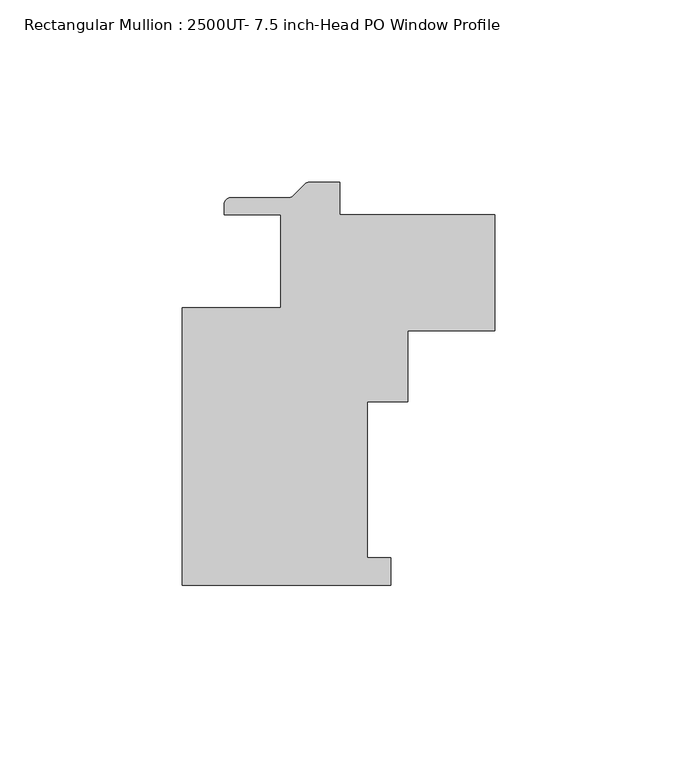
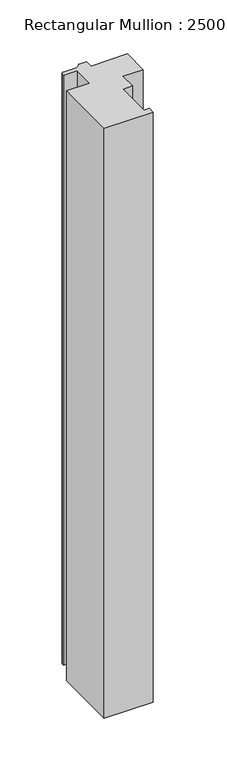
"""IFC4 building model written with IfcOpenShell, lengths in millimetres: member geometry, Rectangular Mullion : 2500UT- 7.5 inch-Head PO Window Profile."""

from ifc_helpers import new_model, si_unit, point, frame, frame_2d, origin, place, context, project, spatial, polyline, circle_curve, trimmed, segment, composite_curve, outline, extrude, source, transform, mapped, element, save


def rectangular_mullion_2500ut_7_5_inch_head_po_window_profile_b7f0885d(model_context):
    return source(origin(), model_context, "Body", "SweptSolid", [
        extrude(outline(composite_curve([segment(polyline([(-61.9087917, -88.7222), (-61.9087917, -12.5222), (-34.9563451, -12.5222), (-34.9563451, 12.8777999), (-50.4224413, 12.8777999), (-50.4224413, 15.7988)]), True, "CONTINUOUS"), segment(trimmed(circle_curve(frame_2d((-48.6444413, 15.7988)), 1.778), [point((-50.4224413, 15.7988))], [point((-48.6444413, 17.5768))], False, "CARTESIAN"), True, "CONTINUOUS"), segment(polyline([(-48.6444413, 17.5768), (-32.7764052, 17.5768)]), True, "CONTINUOUS"), segment(trimmed(circle_curve(frame_2d((-32.7764052, 19.3548)), 1.778), [point((-32.7764052, 17.5768))], [point((-31.5191693, 18.0975641))], True, "CARTESIAN"), True, "CONTINUOUS"), segment(polyline([(-31.5191693, 18.0975641), (-28.2934976, 21.3232359)]), True, "CONTINUOUS"), segment(trimmed(circle_curve(frame_2d((-27.0362618, 20.066)), 1.778), [point((-28.2934976, 21.3232359))], [point((-27.0362618, 21.844))], False, "CARTESIAN"), True, "CONTINUOUS"), segment(polyline([(-27.0362618, 21.844), (-18.6724413, 21.844), (-18.6724413, 12.8785939), (23.7998, 12.8785939), (23.7998, -18.8714061), (0.0037083, -18.8714061), (0.0037083, -38.39845), (-11.1087917, -38.39845), (-11.1087917, -81.1022), (-4.7587917, -81.1022), (-4.7587917, -88.7222), (-61.9087917, -88.7222)]), True, "CONTINUOUS")], self_intersect=False)), frame((0.0, 0.0, -726.7439561), z_axis=(0.0, 0.0, 1.0), x_axis=(1.0, 0.0, 0.0)), (0.0, 0.0, 1.0), 726.7439561),
    ])


if __name__ == "__main__":
    model = new_model("IFC4")
    model_context = context("Model", 3, world=origin())
    ifc_project = project(units=[si_unit("LENGTHUNIT", "METRE", prefix="MILLI")], contexts=[model_context])
    site = spatial("IfcSite", under=ifc_project)
    building = spatial("IfcBuilding", under=site)
    placement = place(None, origin())
    rectangular_mullion_2500ut_7_5_inch_head_po_window_profile_shape = rectangular_mullion_2500ut_7_5_inch_head_po_window_profile_b7f0885d(model_context)
    element("IfcMember", 1, ObjectType="Rectangular Mullion : 2500UT- 7.5 inch-Head PO Window Profile", at=placement, inside=building, context=model_context, shape_type="MappedRepresentation", body=[
        mapped(rectangular_mullion_2500ut_7_5_inch_head_po_window_profile_shape, transform((0.0, 0.0, 0.0), x_axis=(1.0, 0.0, 0.0), y_axis=(0.0, 1.0, 0.0), z_axis=(0.0, 0.0, 1.0))),
    ])
    save(model, "model.ifc")
